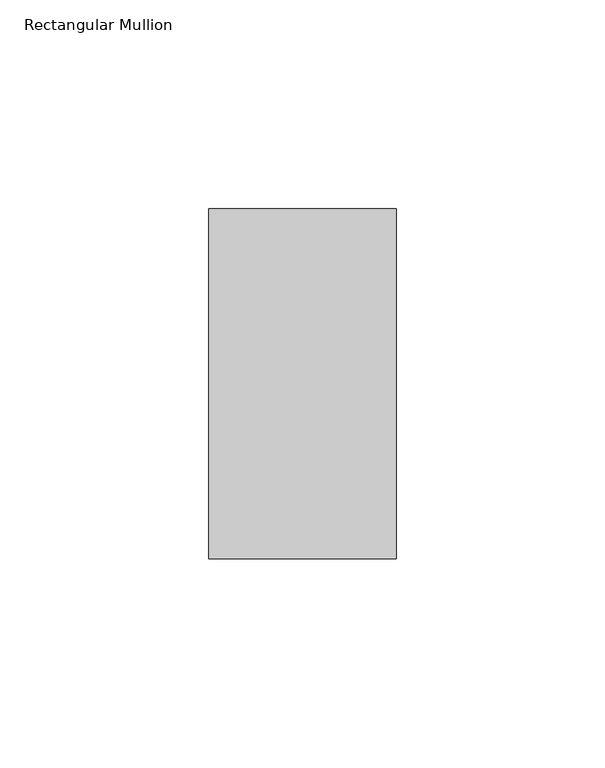
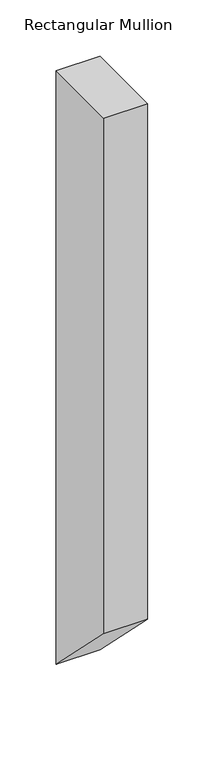
"""IFC4 building model written with IfcOpenShell, lengths in millimetres: member geometry, Rectangular Mullion."""

from ifc_helpers import new_model, si_unit, frame, origin, place, context, project, spatial, polyline, outline, extrude, source, transform, mapped, element, save


def rectangular_mullion_71ed469c(model_context):
    return source(origin(), model_context, "Body", "SweptSolid", [
        extrude(outline(polyline([(-42.0, 0.0), (42.0, 0.0), (42.0, -641.9999997), (-42.0, -557.9999997), (-42.0, 0.0)])), frame((-45.0, 0.0, 0.0), z_axis=(1.0, 0.0, 0.0), x_axis=(0.0, 1.0, 0.0)), (0.0, 0.0, 1.0), 45.0),
    ])


if __name__ == "__main__":
    model = new_model("IFC4")
    model_context = context("Model", 3, world=origin())
    ifc_project = project(units=[si_unit("LENGTHUNIT", "METRE", prefix="MILLI")], contexts=[model_context])
    site = spatial("IfcSite", under=ifc_project)
    building = spatial("IfcBuilding", under=site)
    placement = place(None, origin())
    rectangular_mullion_shape = rectangular_mullion_71ed469c(model_context)
    element("IfcMember", 1, ObjectType="Rectangular Mullion", at=placement, inside=building, context=model_context, shape_type="MappedRepresentation", body=[
        mapped(rectangular_mullion_shape, transform((0.0, 0.0, 0.0), x_axis=(1.0, 0.0, 0.0), y_axis=(0.0, 1.0, 0.0), z_axis=(0.0, 0.0, 1.0))),
    ])
    save(model, "model.ifc")
